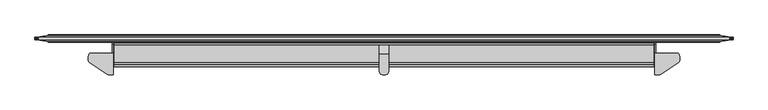
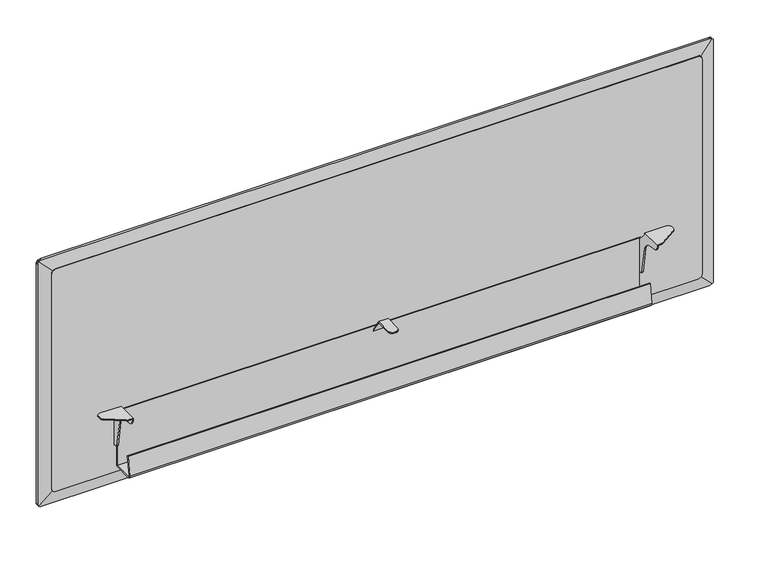
"""IFC4 building model written with IfcOpenShell, lengths in millimetres: furniture geometry."""

from ifc_helpers import new_model, si_unit, frame, origin, place, context, project, spatial, polyline, outline, extrude, faceted_brep, source, transform, mapped, element, save


def furniture_f7b7730d(model_context):
    return source(origin(), model_context, "Body", "SolidModel", [
        faceted_brep([(1678.6859978, -47.2440001, 703.2318954), (1621.9170065, -47.2440001, 703.2318954), (1621.9170065, -103.8860008, 703.2318954), (1633.0202986, -103.8860008, 703.2318954), (1634.8649535, -103.7056703, 703.2318954), (1636.6397543, -103.1715187, 703.2318954), (1638.2774996, -102.3037619, 703.2318954), (1683.9431987, -72.0782948, 703.2318954), (1686.2257901, -69.955943, 703.2318954), (1687.7010453, -67.2103598, 703.2318954), (1688.2109978, -64.1355338, 703.2318954), (1688.2109978, -56.7690004, 703.2318954), (1686.9348948, -52.0064998, 703.2318954), (1683.4484978, -48.520108, 703.2318954), (1621.9170065, -103.8860008, 695.6004571), (1624.9649945, -103.8860008, 695.6004571), (1624.9649945, -103.8860008, 700.1838983), (1633.0202986, -103.8860008, 700.1838983), (1624.9649945, -19.05, 578.009924), (1612.1380068, -19.05, 578.009924), (1607.3755068, -19.05, 579.2860452), (1603.8891098, -19.05, 582.772424), (1602.6130068, -19.05, 587.534924), (1602.6130068, -19.05, 663.7348876), (1603.8891098, -19.05, 668.4973876), (1607.3755068, -19.05, 671.9838027), (1612.1380068, -19.05, 673.2598876), (1624.9649945, -19.05, 673.2598876), (1624.9649945, -47.2440001, 700.1838983), (1678.6859978, -47.2440001, 700.1838983), (1683.4484978, -48.520108, 700.1838983), (1686.9348948, -52.0064998, 700.1838983), (1688.2109978, -56.7690004, 700.1838983), (1688.2109978, -64.1355338, 700.1838983), (1687.7010453, -67.2103598, 700.1838983), (1686.2257901, -69.955943, 700.1838983), (1683.9431987, -72.0782948, 700.1838983), (1638.2774996, -102.3037619, 700.1838983), (1636.6397543, -103.1715187, 700.1838983), (1634.8649535, -103.7056703, 700.1838983), (1624.9649945, -102.535134, 689.9007324), (1624.9649945, -98.769916, 685.4135063), (1624.9649945, -93.3913335, 683.0934444), (1624.9649945, -67.1971565, 678.4746856), (1624.9649945, -57.6502931, 674.6819665), (1624.9649945, -50.386431, 667.418093), (1624.9649945, -46.5937042, 657.8712194), (1624.9649945, -33.4372464, 583.2572418), (1624.9649945, -32.2771995, 580.56798), (1624.9649945, -30.0335922, 578.6853551), (1624.9649945, -27.1837173, 578.009924), (1624.9649945, -24.1299997, 673.2598876), (1624.9649945, -47.2440001, 698.1519002), (1621.9170065, -47.2440001, 698.1519002), (1621.9170065, -24.1299997, 673.2598876), (1612.1380068, -22.0979994, 673.2598876), (1621.9170065, -22.0979994, 673.2598876), (1621.9170065, -98.769916, 685.4135063), (1621.9170065, -93.3913335, 683.0934444), (1621.9170065, -102.535134, 689.9007324), (1621.9170065, -27.1837173, 578.009924), (1621.9170065, -22.0979994, 578.009924), (1612.1380068, -22.0979994, 578.009924), (1621.9170065, -30.0335922, 578.6853551), (1621.9170065, -32.2771995, 580.56798), (1621.9170065, -33.4372464, 583.2572418), (1621.9170065, -46.5937042, 657.8712194), (1621.9170065, -50.386431, 667.418093), (1621.9170065, -57.6502931, 674.6819665), (1621.9170065, -67.1971565, 678.4746856), (1607.3755068, -22.0979994, 671.9838027), (1603.8891098, -22.0979994, 668.4973876), (1602.6130068, -22.0979994, 663.7348876), (1602.6130068, -22.0979994, 587.534924), (1603.8891098, -22.0979994, 582.772424), (1607.3755068, -22.0979994, 579.2860452)], [[[0, 1, 2, 3, 4, 5, 6, 7, 8, 9, 10, 11, 12, 13]], [[3, 2, 14, 15, 16, 17]], [[18, 19, 20, 21, 22, 23, 24, 25, 26, 27]], [[28, 29, 30, 31, 32, 33, 34, 35, 36, 37, 38, 39, 17, 16]], [[16, 15, 40, 41, 42, 43, 44, 45, 46, 47, 48, 49, 50, 18, 27, 51, 52, 28]], [[29, 28, 52, 53, 1, 0]], [[13, 30, 29, 0]], [[12, 31, 30, 13]], [[11, 32, 31, 12]], [[10, 33, 32, 11]], [[9, 34, 33, 10]], [[8, 35, 34, 9]], [[7, 36, 35, 8]], [[6, 37, 36, 7]], [[5, 38, 37, 6]], [[4, 39, 38, 5]], [[3, 17, 39, 4]], [[51, 54, 53, 52]], [[27, 26, 55, 56, 54, 51]], [[41, 57, 58, 42]], [[40, 59, 57, 41]], [[15, 14, 59, 40]], [[50, 60, 61, 62, 19, 18]], [[49, 63, 60, 50]], [[48, 64, 63, 49]], [[47, 65, 64, 48]], [[46, 66, 65, 47]], [[45, 67, 66, 46]], [[44, 68, 67, 45]], [[43, 69, 68, 44]], [[42, 58, 69, 43]], [[61, 60, 63, 64, 65, 66, 67, 68, 69, 58, 57, 59, 14, 2, 1, 53, 54, 56]], [[56, 55, 70, 71, 72, 73, 74, 75, 62, 61]], [[70, 55, 26, 25]], [[25, 24, 71, 70]], [[24, 23, 72, 71]], [[23, 22, 73, 72]], [[22, 21, 74, 73]], [[21, 20, 75, 74]], [[20, 19, 62, 75]]]),
        faceted_brep([(911.2249879, -22.0979994, 576.2815516), (917.575, -22.0979994, 576.2815516), (922.3375, -22.0979994, 577.5576729), (923.3027027, -22.0979994, 578.5228756), (905.4972852, -22.0979994, 578.5228756), (906.4624879, -22.0979994, 577.5576729), (925.8238788, -22.0979994, 581.0440516), (926.0825067, -22.0979994, 582.0092544), (902.7174812, -22.0979994, 582.0092544), (902.9761091, -22.0979994, 581.0440516), (927.0999879, -22.0979994, 586.7717544), (901.6999879, -22.0979994, 586.7717544), (901.6999879, -22.0979994, 585.8065516), (927.0999879, -22.0979994, 585.8065064), (927.0999879, -22.0979994, 656.5709459), (901.6999879, -22.0979994, 656.5709459), (927.0999879, -49.7950483, 699.4207287), (901.6999879, -49.7950483, 699.4207287), (927.0999879, -94.4880459, 699.4207287), (925.8238788, -99.2505007, 699.4207287), (922.3375, -102.7368931, 699.4207287), (918.7416142, -103.7004075, 699.4207287), (910.0583736, -103.7004075, 699.4207287), (906.4624879, -102.7368931, 699.4207287), (902.9761091, -99.2505007, 699.4207287), (901.6999879, -94.4880007, 699.4207287), (901.6999879, -48.7171998, 702.4687258), (927.0999879, -48.7171998, 702.4687258), (927.0999879, -19.05, 656.5709459), (901.6999879, -19.05, 656.5709459), (901.6999879, -94.4880007, 702.4687258), (902.9761091, -99.2505007, 702.4687258), (906.4624879, -102.7368931, 702.4687258), (910.0583736, -103.7004075, 702.4687258), (918.7416142, -103.7004075, 702.4687258), (922.3375, -102.7368931, 702.4687258), (925.8238788, -99.2505007, 702.4687258), (927.0999879, -94.4880459, 702.4687258), (911.2249879, -19.05, 576.2815516), (917.575, -19.05, 576.2815516), (927.0999879, -19.05, 585.8065064), (925.8238788, -19.05, 581.0440516), (922.3375, -19.05, 577.5576729), (906.4624879, -19.05, 577.5576729), (902.9761091, -19.05, 581.0440516), (901.6999879, -19.05, 585.8065516)], [[[0, 1, 2, 3, 4, 5]], [[4, 3, 6, 7, 8, 9]], [[10, 11, 12, 8, 7, 13]], [[11, 10, 14, 15]], [[15, 14, 16, 17]], [[17, 16, 18, 19, 20, 21, 22, 23, 24, 25]], [[26, 27, 28, 29]], [[27, 26, 30, 31, 32, 33, 34, 35, 36, 37]], [[38, 39, 1, 0]], [[29, 28, 40, 41, 42, 39, 38, 43, 44, 45]], [[11, 15, 17, 25, 30, 26, 29, 45, 12]], [[14, 10, 13, 40, 28, 27, 37, 18, 16]], [[6, 41, 40, 13, 7]], [[41, 6, 3, 2, 42]], [[42, 2, 1, 39]], [[5, 43, 38, 0]], [[43, 5, 4, 9, 44]], [[44, 9, 8, 12, 45]], [[36, 19, 18, 37]], [[19, 36, 35, 20]], [[20, 35, 34, 21]], [[21, 34, 33, 22]], [[22, 33, 32, 23]], [[23, 32, 31, 24]], [[24, 31, 30, 25]]]),
        faceted_brep([(150.1140022, -47.2440001, 703.2318954), (145.3515022, -48.520108, 703.2318954), (141.8651052, -52.0064998, 703.2318954), (140.5890022, -56.7690004, 703.2318954), (140.5890022, -64.1355338, 703.2318954), (141.0989547, -67.2103598, 703.2318954), (142.5742099, -69.955943, 703.2318954), (144.8568013, -72.0782948, 703.2318954), (190.5225004, -102.3037619, 703.2318954), (192.1602457, -103.1715187, 703.2318954), (193.9350465, -103.7056703, 703.2318954), (195.7797014, -103.8860008, 703.2318954), (206.8829935, -103.8860008, 703.2318954), (206.8829935, -47.2440001, 703.2318954), (195.7797014, -103.8860008, 700.1838983), (203.8350055, -103.8860008, 700.1838983), (203.8350055, -103.8860008, 695.6004571), (206.8829935, -103.8860008, 695.6004571), (203.8350055, -19.05, 578.009924), (203.8350055, -19.05, 673.2598876), (216.6619932, -19.05, 673.2598876), (221.4244932, -19.05, 671.9838027), (224.9108902, -19.05, 668.4973876), (226.1869932, -19.05, 663.7348876), (226.1869932, -19.05, 587.534924), (224.9108902, -19.05, 582.772424), (221.4244932, -19.05, 579.2860452), (216.6619932, -19.05, 578.009924), (203.8350055, -47.2440001, 700.1838983), (193.9350465, -103.7056703, 700.1838983), (192.1602457, -103.1715187, 700.1838983), (190.5225004, -102.3037619, 700.1838983), (144.8568013, -72.0782948, 700.1838983), (142.5742099, -69.955943, 700.1838983), (141.0989547, -67.2103598, 700.1838983), (140.5890022, -64.1355338, 700.1838983), (140.5890022, -56.7690004, 700.1838983), (141.8651052, -52.0064998, 700.1838983), (145.3515022, -48.520108, 700.1838983), (150.1140022, -47.2440001, 700.1838983), (203.8350055, -47.2440001, 698.1519002), (203.8350055, -24.1299997, 673.2598876), (203.8350055, -27.1837173, 578.009924), (203.8350055, -30.0335922, 578.6853551), (203.8350055, -32.2771995, 580.56798), (203.8350055, -33.4372464, 583.2572418), (203.8350055, -46.5937042, 657.8712194), (203.8350055, -50.386431, 667.418093), (203.8350055, -57.6502931, 674.6819665), (203.8350055, -67.1971565, 678.4746856), (203.8350055, -93.3913335, 683.0934444), (203.8350055, -98.769916, 685.4135063), (203.8350055, -102.535134, 689.9007324), (206.8829935, -47.2440001, 698.1519002), (206.8829935, -24.1299997, 673.2598876), (206.8829935, -22.0979994, 673.2598876), (216.6619932, -22.0979994, 673.2598876), (206.8829935, -93.3913335, 683.0934444), (206.8829935, -98.769916, 685.4135063), (206.8829935, -102.535134, 689.9007324), (216.6619932, -22.0979994, 578.009924), (206.8829935, -22.0979994, 578.009924), (206.8829935, -27.1837173, 578.009924), (206.8829935, -30.0335922, 578.6853551), (206.8829935, -32.2771995, 580.56798), (206.8829935, -33.4372464, 583.2572418), (206.8829935, -46.5937042, 657.8712194), (206.8829935, -50.386431, 667.418093), (206.8829935, -57.6502931, 674.6819665), (206.8829935, -67.1971565, 678.4746856), (221.4244932, -22.0979994, 579.2860452), (224.9108902, -22.0979994, 582.772424), (226.1869932, -22.0979994, 587.534924), (226.1869932, -22.0979994, 663.7348876), (224.9108902, -22.0979994, 668.4973876), (221.4244932, -22.0979994, 671.9838027)], [[[0, 1, 2, 3, 4, 5, 6, 7, 8, 9, 10, 11, 12, 13]], [[11, 14, 15, 16, 17, 12]], [[18, 19, 20, 21, 22, 23, 24, 25, 26, 27]], [[28, 15, 14, 29, 30, 31, 32, 33, 34, 35, 36, 37, 38, 39]], [[15, 28, 40, 41, 19, 18, 42, 43, 44, 45, 46, 47, 48, 49, 50, 51, 52, 16]], [[39, 0, 13, 53, 40, 28]], [[1, 0, 39, 38]], [[2, 1, 38, 37]], [[3, 2, 37, 36]], [[4, 3, 36, 35]], [[5, 4, 35, 34]], [[6, 5, 34, 33]], [[7, 6, 33, 32]], [[8, 7, 32, 31]], [[9, 8, 31, 30]], [[10, 9, 30, 29]], [[11, 10, 29, 14]], [[41, 40, 53, 54]], [[19, 41, 54, 55, 56, 20]], [[51, 50, 57, 58]], [[52, 51, 58, 59]], [[16, 52, 59, 17]], [[42, 18, 27, 60, 61, 62]], [[43, 42, 62, 63]], [[44, 43, 63, 64]], [[45, 44, 64, 65]], [[46, 45, 65, 66]], [[47, 46, 66, 67]], [[48, 47, 67, 68]], [[49, 48, 68, 69]], [[50, 49, 69, 57]], [[61, 55, 54, 53, 13, 12, 17, 59, 58, 57, 69, 68, 67, 66, 65, 64, 63, 62]], [[55, 61, 60, 70, 71, 72, 73, 74, 75, 56]], [[75, 21, 20, 56]], [[21, 75, 74, 22]], [[22, 74, 73, 23]], [[23, 73, 72, 24]], [[24, 72, 71, 25]], [[25, 71, 70, 26]], [[26, 70, 60, 27]]]),
        extrude(outline(polyline([(-22.2259803, 516.3833061), (-77.4051408, 516.3833061), (-80.8321751, 517.3659924), (-83.1908324, 520.0793173), (-83.6878951, 523.6161021), (-76.1664074, 577.1342685), (-73.0276067, 576.6931389), (-80.5557387, 523.1276965), (-80.3126746, 521.3982054), (-79.1365997, 520.0452861), (-77.4094889, 519.5500451), (-25.3867342, 519.5500451), (-25.3867342, 675.2348745), (-22.2259803, 675.2348745), (-22.2259803, 516.3833061)])), frame((209.2706021, 0.0, 0.0), z_axis=(1.0, 0.0, 0.0), x_axis=(0.0, 1.0, 0.0)), (0.0, 0.0, 1.0), 1410.2587656),
        extrude(outline(polyline([(1133.602, 1781.9178925), (1133.602, 46.8257121), (1132.9159549, 43.184392), (1131.8278673, 40.7952556), (1130.5466955, 39.2079102), (1128.6346029, 37.7230447), (1126.3089454, 36.7081476), (1123.6517493, 36.322), (508.4958553, 36.322), (505.8386592, 36.7081476), (503.5130017, 37.7230447), (501.6009091, 39.2079102), (500.3197373, 40.7952556), (499.2316497, 43.184392), (498.602, 46.5263823), (498.602, 1782.2172223), (499.2316497, 1785.5592125), (500.3197373, 1787.9483489), (501.6009091, 1789.5356944), (503.5130017, 1791.0205599), (505.8386592, 1792.035457), (508.8839288, 1792.478), (1123.2636758, 1792.478), (1126.3089454, 1792.035457), (1128.6346029, 1791.0205599), (1130.5466955, 1789.5356944), (1131.8278673, 1787.9483489), (1132.9159549, 1785.5592125), (1133.602, 1781.9178925)])), frame((0.0, -19.05, 0.0), z_axis=(0.0, 1.0, 0.0), x_axis=(0.0, 0.0, 1.0)), (0.0, 0.0, 1.0), 19.05),
        faceted_brep([(1789.2466046, -1.27, 501.8333954), (1789.2466046, -1.27, 1130.3706046), (1824.3341432, -6.201232, 1165.4581432), (1825.8749553, -6.417779, 1163.4740069), (1826.8898524, -6.5604135, 1161.1483494), (1827.276, -6.614683, 1158.4911533), (1827.276, -6.614683, 473.7128467), (1826.8898524, -6.5604135, 471.0556506), (1825.8749553, -6.417779, 468.7299931), (1824.3341432, -6.201232, 466.7458568), (1789.2466046, -17.78, 1130.3706046), (1789.2466046, -17.78, 501.8333954), (1824.3341432, -12.5994806, 466.7458568), (1825.8749553, -12.3719865, 468.7299931), (1826.8898524, -12.2221415, 471.0556506), (1827.276, -12.1651285, 473.7128467), (1827.276, -12.1651285, 1158.4911533), (1826.8898524, -12.2221415, 1161.1483494), (1825.8749553, -12.3719865, 1163.4740069), (1824.3341432, -12.5994806, 1165.4581432), (39.5533954, -1.27, 501.8333954), (1822.8027444, -6.3711638, 465.5367287), (1820.413608, -6.5240846, 464.4486411), (1816.9920479, -6.614683, 463.804), (11.8079521, -6.614683, 463.804), (8.386392, -6.5240846, 464.4486411), (5.9972556, -6.3711638, 465.5367287), (4.479154, -6.1989614, 466.7620127), (39.5533954, -17.78, 501.8333954), (4.4658568, -12.5994806, 466.7458568), (5.9972556, -12.4209582, 465.5367287), (8.386392, -12.2603069, 464.4486411), (11.8079521, -12.1651285, 463.804), (1816.9920479, -12.1651285, 463.804), (1820.413608, -12.2603069, 464.4486411), (1822.8027444, -12.4209582, 465.5367287), (39.5533954, -1.27, 1130.3706046), (2.9250447, -6.417779, 468.7299931), (1.9101476, -6.5604135, 471.0556506), (1.524, -6.614683, 473.7128467), (1.524, -6.614683, 1158.4911533), (1.9101476, -6.5604135, 1161.1483494), (2.9250447, -6.417779, 1163.4740069), (4.4658568, -6.201232, 1165.4581432), (39.5533954, -17.78, 1130.3706046), (4.4658568, -12.5994806, 1165.4581432), (2.9250447, -12.3719865, 1163.4740069), (1.9101476, -12.2221415, 1161.1483494), (1.524, -12.1651285, 1158.4911533), (1.524, -12.1651285, 473.7128467), (1.9101476, -12.2221415, 471.0556506), (2.9250447, -12.3719865, 468.7299931), (5.9972556, -6.3711638, 1166.6672713), (8.386392, -6.5240846, 1167.7553589), (11.8079521, -6.614683, 1168.4), (1816.9920479, -6.614683, 1168.4), (1820.413608, -6.5240846, 1167.7553589), (1822.8027444, -6.3711638, 1166.6672713), (1822.8027444, -12.4209582, 1166.6672713), (1820.413608, -12.2603069, 1167.7553589), (1816.9920479, -12.1651285, 1168.4), (11.8079521, -12.1651285, 1168.4), (8.386392, -12.2603069, 1167.7553589), (5.9972556, -12.4209582, 1166.6672713)], [[[0, 1, 2, 3, 4, 5, 6, 7, 8, 9]], [[10, 11, 12, 13, 14, 15, 16, 17, 18, 19]], [[20, 0, 9, 21, 22, 23, 24, 25, 26, 27]], [[11, 28, 29, 30, 31, 32, 33, 34, 35, 12]], [[36, 20, 27, 37, 38, 39, 40, 41, 42, 43]], [[28, 44, 45, 46, 47, 48, 49, 50, 51, 29]], [[1, 36, 43, 52, 53, 54, 55, 56, 57, 2]], [[44, 10, 19, 58, 59, 60, 61, 62, 63, 45]], [[1, 0, 11, 10]], [[0, 20, 28, 11]], [[20, 36, 44, 28]], [[36, 1, 10, 44]], [[5, 16, 15, 6]], [[23, 33, 32, 24]], [[48, 40, 39, 49]], [[54, 61, 60, 55]], [[41, 47, 46, 42]], [[45, 43, 42, 46]], [[43, 45, 63, 52]], [[52, 63, 62, 53]], [[53, 62, 61, 54]], [[47, 41, 40, 48]], [[3, 18, 17, 4]], [[2, 19, 18, 3]], [[19, 2, 57, 58]], [[58, 57, 56, 59]], [[59, 56, 55, 60]], [[4, 17, 16, 5]], [[7, 14, 13, 8]], [[12, 9, 8, 13]], [[9, 12, 35, 21]], [[21, 35, 34, 22]], [[22, 34, 33, 23]], [[14, 7, 6, 15]], [[37, 51, 50, 38]], [[27, 29, 51, 37]], [[29, 27, 26, 30]], [[30, 26, 25, 31]], [[31, 25, 24, 32]], [[38, 50, 49, 39]]]),
    ])


if __name__ == "__main__":
    model = new_model("IFC4")
    model_context = context("Model", 3, world=origin())
    ifc_project = project(units=[si_unit("LENGTHUNIT", "METRE", prefix="MILLI")], contexts=[model_context])
    site = spatial("IfcSite", under=ifc_project)
    building = spatial("IfcBuilding", under=site)
    placement = place(None, origin())
    furniture_shape = furniture_f7b7730d(model_context)
    element("IfcFurniture", 1, at=placement, inside=building, context=model_context, shape_type="MappedRepresentation", body=[
        mapped(furniture_shape, transform((0.0, 0.0, 0.0), x_axis=(1.0, 0.0, 0.0), y_axis=(0.0, 1.0, 0.0), z_axis=(0.0, 0.0, 1.0))),
    ])
    save(model, "model.ifc")
